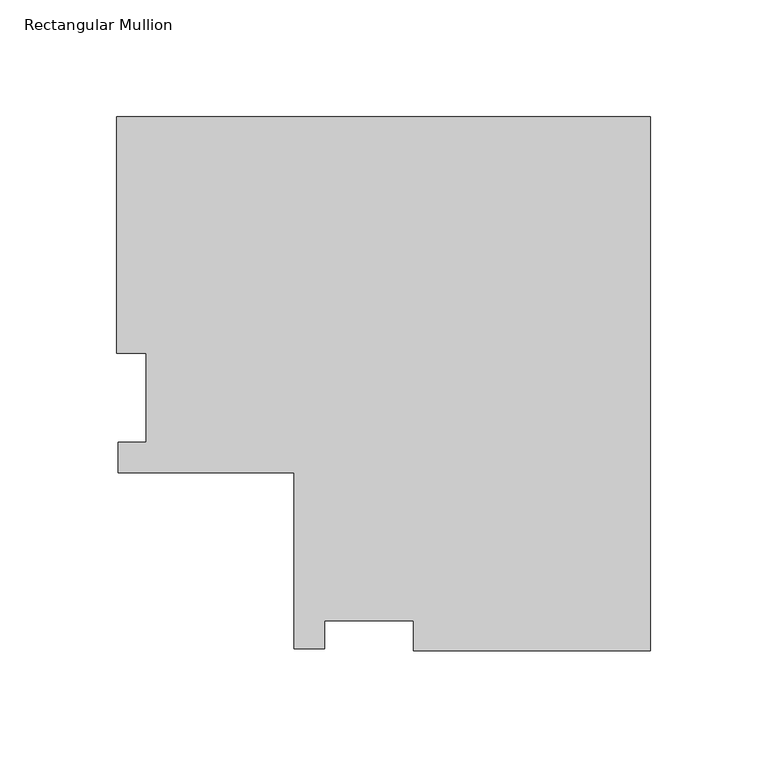
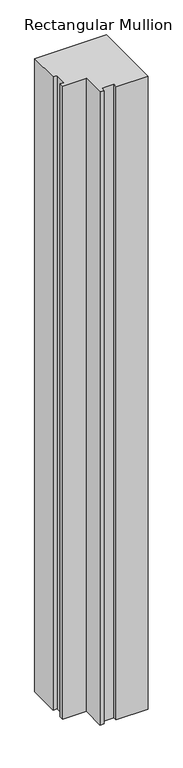
"""IFC4 building model written with IfcOpenShell, lengths in millimetres: member geometry, Rectangular Mullion."""

from ifc_helpers import new_model, si_unit, frame, origin, place, context, project, spatial, polyline, outline, extrude, source, transform, mapped, element, save


def rectangular_mullion_7777e51b(model_context):
    return source(origin(), model_context, "Body", "SweptSolid", [
        extrude(outline(polyline([(-229.08768, 152.8960937), (0.0, 152.8960937), (0.0, -76.1915863), (-101.6, -76.1915863), (-101.6, -63.4915863), (-139.7, -63.4915863), (-139.7, -75.404186), (-152.8876794, -75.404186), (-152.8876794, 0.0084137), (-228.3002806, 0.0084137), (-228.3002806, 13.1960937), (-216.38768, 13.1960937), (-216.38768, 51.2960937), (-229.08768, 51.2960937), (-229.08768, 152.8960937)])), frame((0.0, 0.0, -2133.6), z_axis=(0.0, 0.0, 1.0), x_axis=(1.0, 0.0, 0.0)), (0.0, 0.0, 1.0), 2133.6),
    ])


if __name__ == "__main__":
    model = new_model("IFC4")
    model_context = context("Model", 3, world=origin())
    ifc_project = project(units=[si_unit("LENGTHUNIT", "METRE", prefix="MILLI")], contexts=[model_context])
    site = spatial("IfcSite", under=ifc_project)
    building = spatial("IfcBuilding", under=site)
    placement = place(None, origin())
    rectangular_mullion_shape = rectangular_mullion_7777e51b(model_context)
    element("IfcMember", 1, ObjectType="Rectangular Mullion", at=placement, inside=building, context=model_context, shape_type="MappedRepresentation", body=[
        mapped(rectangular_mullion_shape, transform((0.0, 0.0, 0.0), x_axis=(1.0, 0.0, 0.0), y_axis=(0.0, 1.0, 0.0), z_axis=(0.0, 0.0, 1.0))),
    ])
    save(model, "model.ifc")
